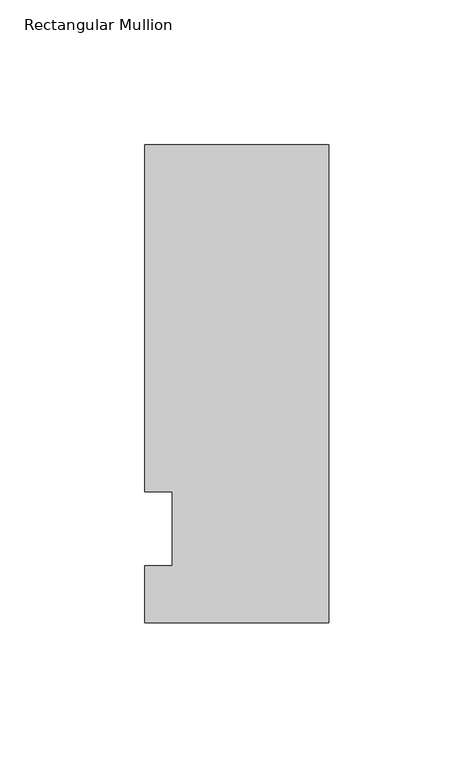
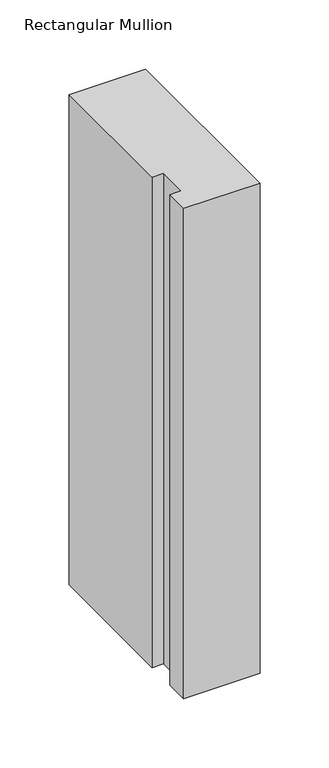
"""IFC4 building model written with IfcOpenShell, lengths in millimetres: member geometry, Rectangular Mullion."""

from ifc_helpers import new_model, si_unit, frame, origin, place, context, project, spatial, polyline, outline, extrude, source, transform, mapped, element, save


def rectangular_mullion_61f8b46b(model_context):
    return source(origin(), model_context, "Body", "SweptSolid", [
        extrude(outline(polyline([(-63.5, -32.54375), (-63.5, -12.7), (-53.975, -12.7), (-53.975, 12.7), (-63.5, 12.7), (-63.5, 132.55625), (0.0, 132.55625), (0.0, -32.54375), (-63.5, -32.54375)])), frame((0.0, 0.0, -431.8), z_axis=(0.0, 0.0, 1.0), x_axis=(1.0, 0.0, 0.0)), (0.0, 0.0, 1.0), 431.8),
    ])


if __name__ == "__main__":
    model = new_model("IFC4")
    model_context = context("Model", 3, world=origin())
    ifc_project = project(units=[si_unit("LENGTHUNIT", "METRE", prefix="MILLI")], contexts=[model_context])
    site = spatial("IfcSite", under=ifc_project)
    building = spatial("IfcBuilding", under=site)
    placement = place(None, origin())
    rectangular_mullion_shape = rectangular_mullion_61f8b46b(model_context)
    element("IfcMember", 1, ObjectType="Rectangular Mullion", at=placement, inside=building, context=model_context, shape_type="MappedRepresentation", body=[
        mapped(rectangular_mullion_shape, transform((0.0, 0.0, 0.0), x_axis=(1.0, 0.0, 0.0), y_axis=(0.0, 1.0, 0.0), z_axis=(0.0, 0.0, 1.0))),
    ])
    save(model, "model.ifc")
